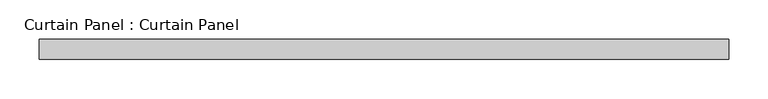
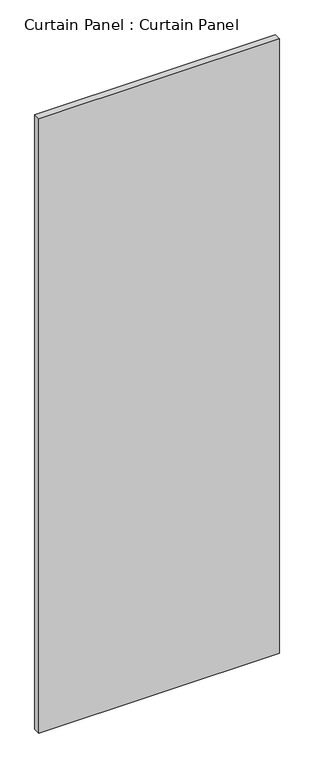
"""IFC4 building model written with IfcOpenShell, lengths in millimetres: plate geometry, Curtain Panel : Curtain Panel."""

from ifc_helpers import new_model, si_unit, frame, origin, place, context, project, spatial, polyline, outline, extrude, source, transform, mapped, element, save


def curtain_panel_curtain_panel_76cfb5b5(model_context):
    return source(origin(), model_context, "Body", "SweptSolid", [
        extrude(outline(polyline([(-171064.2080404, 7403.2117994), (-171943.6830404, 7403.2117994), (-171943.6830404, 7428.6117994), (-171064.2080404, 7428.6117994), (-171064.2080404, 7403.2117994)])), frame((0.0, 0.0, 46.0375), z_axis=(0.0, 0.0, 1.0), x_axis=(1.0, 0.0, 0.0)), (0.0, 0.0, 1.0), 2374.9),
    ])


if __name__ == "__main__":
    model = new_model("IFC4")
    model_context = context("Model", 3, world=origin())
    ifc_project = project(units=[si_unit("LENGTHUNIT", "METRE", prefix="MILLI")], contexts=[model_context])
    site = spatial("IfcSite", under=ifc_project)
    building = spatial("IfcBuilding", under=site)
    placement = place(None, origin())
    curtain_panel_curtain_panel_shape = curtain_panel_curtain_panel_76cfb5b5(model_context)
    element("IfcPlate", 1, ObjectType="Curtain Panel : Curtain Panel", at=placement, inside=building, context=model_context, shape_type="MappedRepresentation", body=[
        mapped(curtain_panel_curtain_panel_shape, transform((0.0, 0.0, 0.0), x_axis=(1.0, 0.0, 0.0), y_axis=(0.0, 1.0, 0.0), z_axis=(0.0, 0.0, 1.0))),
    ])
    save(model, "model.ifc")
